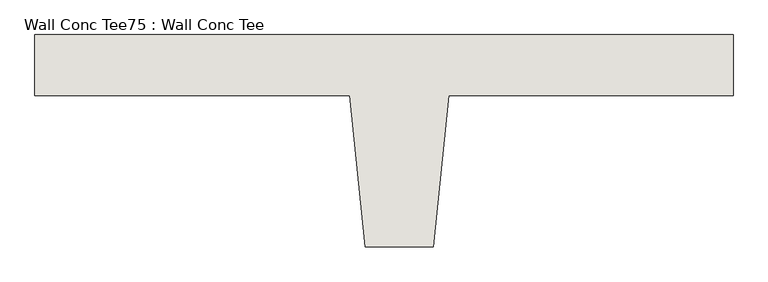
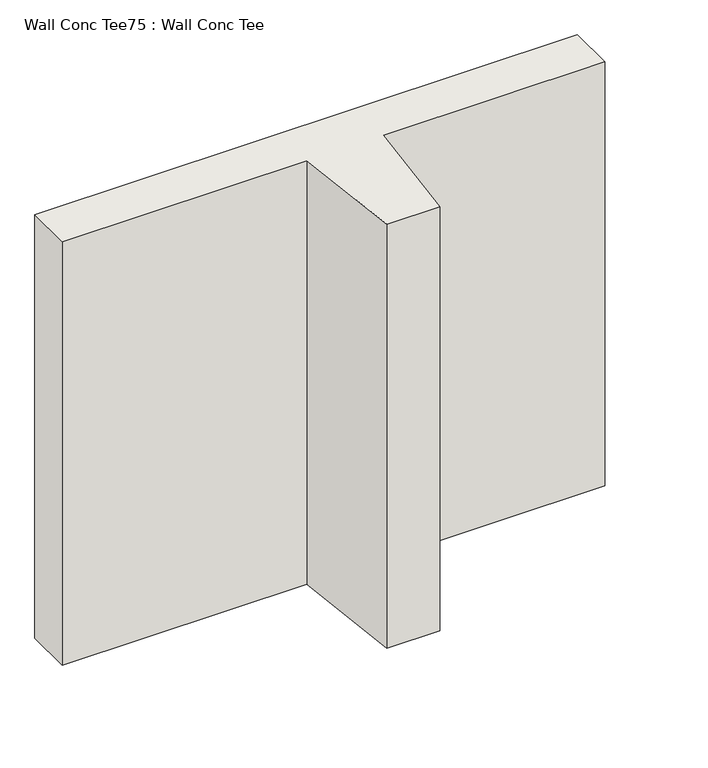
"""IFC4 building model written with IfcOpenShell, lengths in millimetres: wall geometry, Wall Conc Tee75 : Wall Conc Tee."""

from ifc_helpers import new_model, si_unit, frame, origin, place, context, project, spatial, polyline, outline, extrude, source, transform, mapped, element, save


def wall_conc_tee75_wall_conc_tee_7cc8b372(model_context):
    return source(origin(), model_context, "Body", "SweptSolid", [
        extrude(outline(polyline([(223533.4728488, 159042.8596581), (223533.4728488, 158941.2596581), (223057.2228488, 158941.2596581), (223031.8228488, 158687.2596581), (222917.5228488, 158687.2596581), (222892.1228488, 158941.2596581), (222365.0728488, 158941.2596581), (222365.0728488, 159042.8596581), (223533.4728488, 159042.8596581)])), frame((0.0, 0.0, 4410.9592564), z_axis=(0.0, 0.0, 1.0), x_axis=(1.0, 0.0, 0.0)), (0.0, 0.0, 1.0), 965.2087123),
    ])


if __name__ == "__main__":
    model = new_model("IFC4")
    model_context = context("Model", 3, world=origin())
    ifc_project = project(units=[si_unit("LENGTHUNIT", "METRE", prefix="MILLI")], contexts=[model_context])
    site = spatial("IfcSite", under=ifc_project)
    building = spatial("IfcBuilding", under=site)
    placement = place(None, origin())
    wall_conc_tee75_wall_conc_tee_shape = wall_conc_tee75_wall_conc_tee_7cc8b372(model_context)
    element("IfcWall", 1, ObjectType="Wall Conc Tee75 : Wall Conc Tee", at=placement, inside=building, context=model_context, shape_type="MappedRepresentation", body=[
        mapped(wall_conc_tee75_wall_conc_tee_shape, transform((0.0, 0.0, 0.0), x_axis=(1.0, 0.0, 0.0), y_axis=(0.0, 1.0, 0.0), z_axis=(0.0, 0.0, 1.0))),
    ])
    save(model, "model.ifc")
